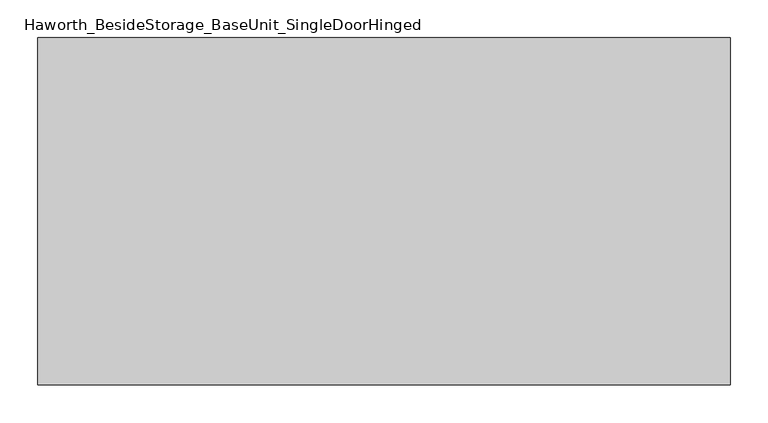
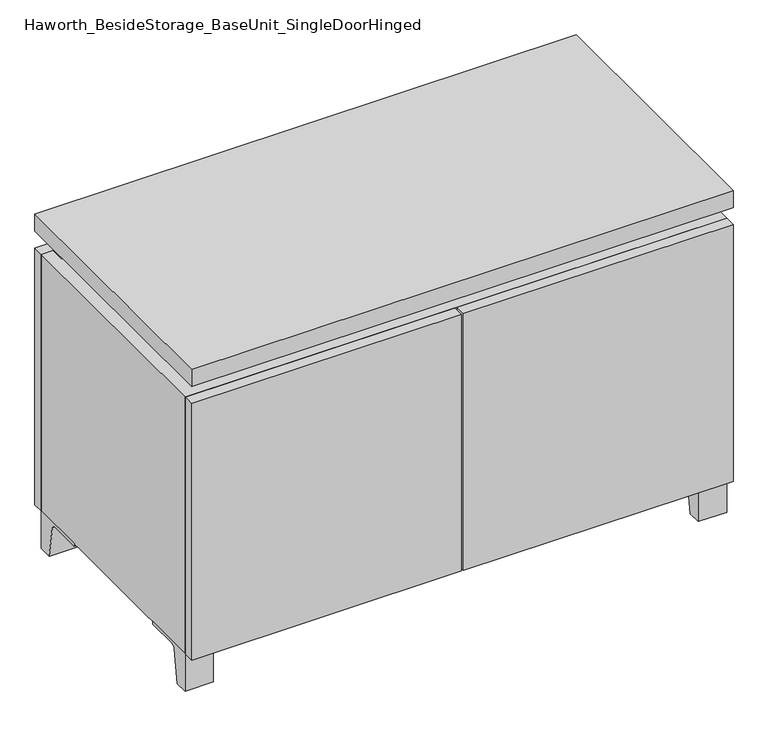
"""IFC4 building model written with IfcOpenShell, lengths in millimetres: furniture geometry, Haworth_BesideStorage_BaseUnit_SingleDoorHinged."""

from ifc_helpers import new_model, si_unit, point, frame, frame_2d, origin, place, context, project, spatial, polyline, circle_curve, trimmed, segment, composite_curve, outline, extrude, faceted_brep, source, transform, mapped, element, save


def haworth_besidestorage_baseunit_singledoorhinged_4e9fbd7f(model_context):
    return source(origin(), model_context, "Body", "SolidModel", [
        extrude(outline(composite_curve([segment(polyline([(-129.6458469, 0.0), (-152.4, 0.0), (-152.4, 66.675), (-57.15, 66.675), (-57.15, 61.8963321), (-113.9505345, 61.8963321)]), True, "CONTINUOUS"), segment(trimmed(circle_curve(frame_2d((-113.9505345, 55.5463321)), 6.35), [point((-113.9505345, 61.8963321))], [point((-120.2141359, 56.5902656))], True, "CARTESIAN"), True, "CONTINUOUS"), segment(polyline([(-120.2141359, 56.5902656), (-129.6458469, 0.0)]), True, "CONTINUOUS")], self_intersect=False)), frame((408.0013906, 0.0, 0.0), z_axis=(1.0, 0.0, 0.0), x_axis=(0.0, 1.0, 0.0)), (0.0, 0.0, 1.0), 47.625),
        extrude(outline(composite_curve([segment(polyline([(243.9458469, 0.0), (234.5141359, 56.5902656)]), True, "CONTINUOUS"), segment(trimmed(circle_curve(frame_2d((228.2505345, 55.5463321)), 6.35), [point((234.5141359, 56.5902656))], [point((228.2505345, 61.8963321))], True, "CARTESIAN"), True, "CONTINUOUS"), segment(polyline([(228.2505345, 61.8963321), (171.45, 61.8963321), (171.45, 66.675), (266.7, 66.675), (266.7, 0.0), (243.9458469, 0.0)]), True, "CONTINUOUS")], self_intersect=False)), frame((408.0013906, 0.0, 0.0), z_axis=(1.0, 0.0, 0.0), x_axis=(0.0, 1.0, 0.0)), (0.0, 0.0, 1.0), 47.625),
        extrude(outline(composite_curve([segment(polyline([(-129.6458469, 0.0), (-152.4, 0.0), (-152.4, 66.675), (-57.15, 66.675), (-57.15, 61.8963321), (-113.9505345, 61.8963321)]), True, "CONTINUOUS"), segment(trimmed(circle_curve(frame_2d((-113.9505345, 55.5463321)), 6.35), [point((-113.9505345, 61.8963321))], [point((-120.2141359, 56.5902656))], True, "CARTESIAN"), True, "CONTINUOUS"), segment(polyline([(-120.2141359, 56.5902656), (-129.6458469, 0.0)]), True, "CONTINUOUS")], self_intersect=False)), frame((-455.5986094, 0.0, 0.0), z_axis=(1.0, 0.0, 0.0), x_axis=(0.0, 1.0, 0.0)), (0.0, 0.0, 1.0), 47.625),
        extrude(outline(composite_curve([segment(polyline([(243.9458469, 0.0), (234.5141359, 56.5902656)]), True, "CONTINUOUS"), segment(trimmed(circle_curve(frame_2d((228.2505345, 55.5463321)), 6.35), [point((234.5141359, 56.5902656))], [point((228.2505345, 61.8963321))], True, "CARTESIAN"), True, "CONTINUOUS"), segment(polyline([(228.2505345, 61.8963321), (171.45, 61.8963321), (171.45, 66.675), (266.7, 66.675), (266.7, 0.0), (243.9458469, 0.0)]), True, "CONTINUOUS")], self_intersect=False)), frame((-455.5986094, 0.0, 0.0), z_axis=(1.0, 0.0, 0.0), x_axis=(0.0, 1.0, 0.0)), (0.0, 0.0, 1.0), 47.625),
        faceted_brep([(-455.5986094, -152.4, 66.675), (455.6125, -152.4, 66.675), (455.6125, -152.4, 523.875), (-455.5986094, -152.4, 523.875), (-436.5486094, -152.4, 85.725), (-436.5486094, -152.4, 504.825), (436.5694453, -152.4, 504.825), (436.5486094, -152.4, 85.725), (-455.5986094, 266.7, 66.675), (-455.5986094, 266.7, 523.875), (-436.5486094, 266.7, 523.875), (-436.5486094, 266.7, 85.725), (436.5486094, 266.7, 85.725), (436.5486094, 266.7, 523.875), (455.6125, 266.7, 523.875), (455.6125, 266.7, 66.675), (436.5486094, 241.3, 523.875), (-436.5416641, 241.3, 523.875), (-436.5486094, 241.3, 504.825), (436.5486094, 241.3, 504.825)], [[[0, 1, 2, 3], [4, 5, 6, 7]], [[8, 9, 10, 11, 12, 13, 14, 15]], [[1, 0, 8, 15]], [[2, 1, 15, 14]], [[3, 2, 14, 13, 16, 17, 10, 9]], [[0, 3, 9, 8]], [[11, 10, 17, 18, 5, 4]], [[13, 12, 7, 6, 19, 16]], [[4, 7, 12, 11]], [[6, 5, 18, 19]], [[17, 16, 19, 18]]]),
        extrude(outline(polyline([(455.6263906, -171.45), (-455.5986094, -171.45), (-455.5986094, 285.75), (455.6263906, 285.75), (455.6263906, -171.45)])), frame((0.0, 0.0, 554.0375), z_axis=(0.0, 0.0, 1.0), x_axis=(1.0, 0.0, 0.0)), (0.0, 0.0, 1.0), 30.1625),
        faceted_brep([(7.9513906, -76.2, 554.0375), (7.9513906, -76.2, 523.875), (7.9513906, 47.625, 523.875), (7.9513906, 47.625, 554.0375), (7.9513906, 190.5, 523.875), (7.9513906, 190.5, 554.0375), (7.9513906, 66.675, 554.0375), (7.9513906, 66.675, 523.875), (-7.9236094, 190.5, 554.0375), (-7.9236094, 190.5, 523.875), (-7.9236094, 66.675, 523.875), (-7.9236094, 66.675, 554.0375), (-7.9236094, -76.2, 523.875), (-7.9236094, -76.2, 554.0375), (-7.9236094, 47.625, 554.0375), (-7.9236094, 47.625, 523.875), (-414.2958281, 66.675, 554.0375), (-414.3166641, 241.3, 554.0375), (-430.1916641, 241.3, 554.0375), (-430.1916641, -127.0, 554.0375), (-414.3166641, -127.0, 554.0375), (-414.3166641, 47.625, 554.0375), (414.3236094, 47.625, 554.0375), (414.3236094, -127.0, 554.0375), (430.1986094, -127.0, 554.0375), (430.1986094, 241.3, 554.0375), (414.3236094, 241.3, 554.0375), (414.3236094, 66.675, 554.0375), (-414.2958281, 47.625, 523.875), (-414.3166641, -127.0, 523.875), (-430.1916641, -127.0, 523.875), (-430.1916641, 241.3, 523.875), (-414.3166641, 241.3, 523.875), (-414.3166641, 66.675, 523.875), (414.3236094, 66.675, 523.875), (414.3236094, 241.3, 523.875), (430.1986094, 241.3, 523.875), (430.1986094, -127.0, 523.875), (414.3236094, -127.0, 523.875), (414.3236094, 47.625, 523.875)], [[[0, 1, 2, 3]], [[4, 5, 6, 7]], [[8, 9, 10, 11]], [[12, 13, 14, 15]], [[5, 8, 11, 16, 17, 18, 19, 20, 21, 14, 13, 0, 3, 22, 23, 24, 25, 26, 27, 6]], [[1, 12, 15, 28, 29, 30, 31, 32, 33, 10, 9, 4, 7, 34, 35, 36, 37, 38, 39, 2]], [[5, 4, 9, 8]], [[1, 0, 13, 12]], [[6, 27, 34, 7]], [[22, 3, 2, 39]], [[20, 29, 28, 21]], [[32, 17, 16, 33]], [[18, 31, 30, 19]], [[29, 20, 19, 30]], [[17, 32, 31, 18]], [[26, 35, 34, 27]], [[38, 23, 22, 39]], [[25, 24, 37, 36]], [[23, 38, 37, 24]], [[35, 26, 25, 36]], [[16, 11, 10, 33]], [[14, 21, 28, 15]]]),
        extrude(outline(polyline([(455.6263906, 266.7), (-455.5986094, 266.7), (-455.5986094, 285.75), (455.6263906, 285.75), (455.6263906, 266.7)])), frame((0.0, 0.0, 66.675), z_axis=(0.0, 0.0, 1.0), x_axis=(1.0, 0.0, 0.0)), (0.0, 0.0, 1.0), 457.2),
        extrude(outline(polyline([(-436.5416641, 196.85), (-436.5416641, 203.2), (436.5694453, 203.2), (436.5694453, 196.85), (-436.5416641, 196.85)])), frame((0.0, 0.0, 85.725), z_axis=(0.0, 0.0, 1.0), x_axis=(1.0, 0.0, 0.0)), (0.0, 0.0, 1.0), 419.1),
        extrude(outline(polyline([(1.6013906, -171.45), (1.6013906, -152.4), (455.6263906, -152.4), (455.6263906, -171.45), (1.6013906, -171.45)])), frame((0.0, 0.0, 66.675), z_axis=(0.0, 0.0, 1.0), x_axis=(1.0, 0.0, 0.0)), (0.0, 0.0, 1.0), 457.2),
        extrude(outline(polyline([(-1.5736094, -171.45), (-455.5986094, -171.45), (-455.5986094, -152.4), (-1.5736094, -152.4), (-1.5736094, -171.45)])), frame((0.0, 0.0, 66.675), z_axis=(0.0, 0.0, 1.0), x_axis=(1.0, 0.0, 0.0)), (0.0, 0.0, 1.0), 457.2),
    ])


if __name__ == "__main__":
    model = new_model("IFC4")
    model_context = context("Model", 3, world=origin())
    ifc_project = project(units=[si_unit("LENGTHUNIT", "METRE", prefix="MILLI")], contexts=[model_context])
    site = spatial("IfcSite", under=ifc_project)
    building = spatial("IfcBuilding", under=site)
    placement = place(None, origin())
    haworth_besidestorage_baseunit_singledoorhinged_shape = haworth_besidestorage_baseunit_singledoorhinged_4e9fbd7f(model_context)
    element("IfcFurniture", 1, ObjectType="Haworth_BesideStorage_BaseUnit_SingleDoorHinged", at=placement, inside=building, context=model_context, shape_type="MappedRepresentation", body=[
        mapped(haworth_besidestorage_baseunit_singledoorhinged_shape, transform((0.0, 0.0, 0.0), x_axis=(1.0, 0.0, 0.0), y_axis=(0.0, 1.0, 0.0), z_axis=(0.0, 0.0, 1.0))),
    ])
    save(model, "model.ifc")
